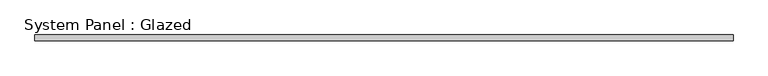
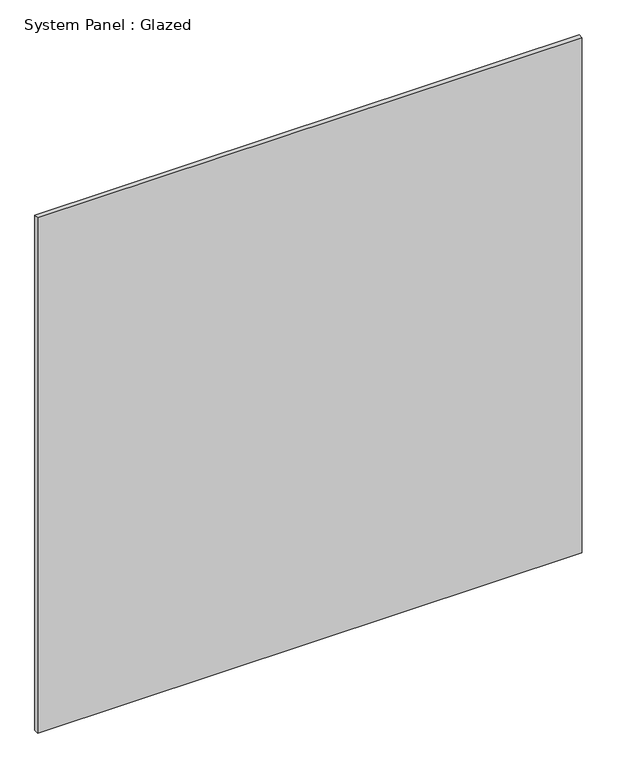
"""IFC4 building model written with IfcOpenShell, lengths in millimetres: plate geometry, System Panel : Glazed."""

from ifc_helpers import new_model, si_unit, origin, origin_with_axes, place, context, project, spatial, polyline, outline, extrude, source, transform, mapped, element, save


def system_panel_glazed_4342e385(model_context):
    return source(origin(), model_context, "Body", "SweptSolid", [
        extrude(outline(polyline([(1500.0, 24.5), (-1500.0, 24.5), (-1500.0, 49.5), (1500.0, 49.5), (1500.0, 24.5)])), origin_with_axes(), (0.0, 0.0, 1.0), 3000.0),
    ])


if __name__ == "__main__":
    model = new_model("IFC4")
    model_context = context("Model", 3, world=origin())
    ifc_project = project(units=[si_unit("LENGTHUNIT", "METRE", prefix="MILLI")], contexts=[model_context])
    site = spatial("IfcSite", under=ifc_project)
    building = spatial("IfcBuilding", under=site)
    placement = place(None, origin())
    system_panel_glazed_shape = system_panel_glazed_4342e385(model_context)
    element("IfcPlate", 1, ObjectType="System Panel : Glazed", at=placement, inside=building, context=model_context, shape_type="MappedRepresentation", body=[
        mapped(system_panel_glazed_shape, transform((0.0, 0.0, 0.0), x_axis=(1.0, 0.0, 0.0), y_axis=(0.0, 1.0, 0.0), z_axis=(0.0, 0.0, 1.0))),
    ])
    save(model, "model.ifc")
